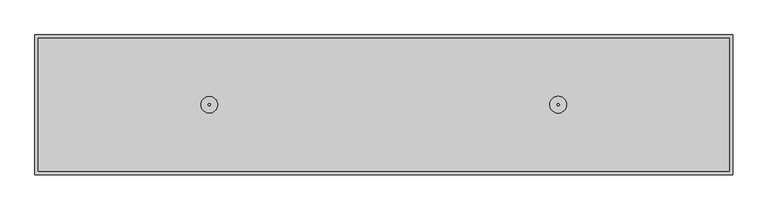
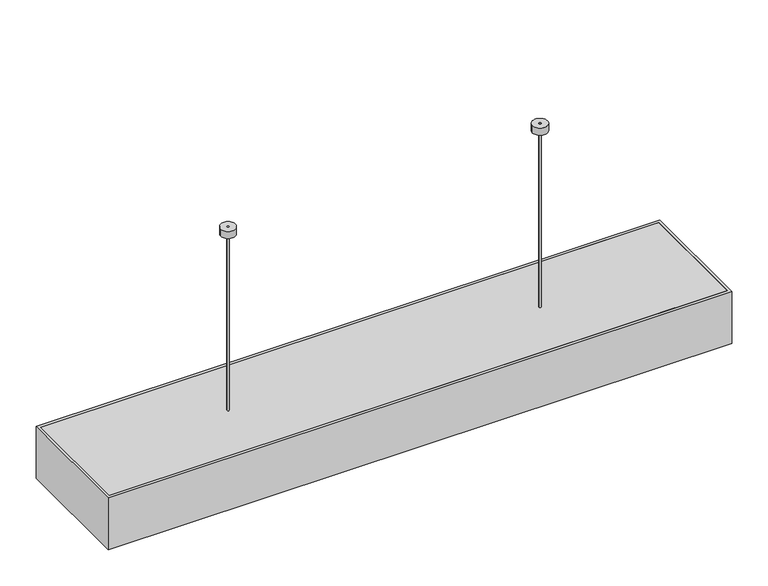
"""IFC4 building model written with IfcOpenShell, lengths in millimetres: light fixture geometry."""

from ifc_helpers import new_model, si_unit, point, frame, frame_2d, origin, place, context, project, spatial, polyline, circle_curve, trimmed, segment, composite_curve, outline, extrude, source, transform, mapped, element, save


def light_fixture_1455f1de(model_context):
    return source(origin(), model_context, "Body", "SweptSolid", [
        extrude(outline(polyline([(-495.0, -95.0), (-495.0, 95.0), (495.0, 95.0), (495.0, -95.0), (-495.0, -95.0)])), frame((0.0, 0.0, -317.0), z_axis=(0.0, 0.0, 1.0), x_axis=(1.0, 0.0, 0.0)), (0.0, 0.0, 1.0), 5.0),
        extrude(outline(composite_curve([segment(trimmed(circle_curve(frame_2d((-250.0, 0.0)), 1.5), [point((-251.5, 0.0))], [point((-248.5, 0.0))], False, "CARTESIAN"), True, "CONTINUOUS"), segment(trimmed(circle_curve(frame_2d((-250.0, 0.0)), 1.5), [point((-248.5, 0.0))], [point((-251.5, 0.0))], False, "CARTESIAN"), True, "CONTINUOUS")], self_intersect=False)), frame((0.0, 0.0, -312.0), z_axis=(0.0, 0.0, 1.0), x_axis=(1.0, 0.0, 0.0)), (0.0, 0.0, 1.0), 312.0),
        extrude(outline(composite_curve([segment(trimmed(circle_curve(frame_2d((250.0, 0.0)), 1.5), [point((248.5, 0.0))], [point((251.5, 0.0))], False, "CARTESIAN"), True, "CONTINUOUS"), segment(trimmed(circle_curve(frame_2d((250.0, 0.0)), 1.5), [point((251.5, 0.0))], [point((248.5, 0.0))], False, "CARTESIAN"), True, "CONTINUOUS")], self_intersect=False)), frame((0.0, 0.0, -312.0), z_axis=(0.0, 0.0, 1.0), x_axis=(1.0, 0.0, 0.0)), (0.0, 0.0, 1.0), 312.0),
        extrude(outline(composite_curve([segment(trimmed(circle_curve(frame_2d((-250.0, 0.0)), 11.8151756), [point((-261.8151756, 0.0))], [point((-238.1848244, 0.0))], False, "CARTESIAN"), True, "CONTINUOUS"), segment(trimmed(circle_curve(frame_2d((-250.0, 0.0)), 11.8151756), [point((-238.1848244, 0.0))], [point((-261.8151756, 0.0))], False, "CARTESIAN"), True, "CONTINUOUS")], self_intersect=False)), frame((0.0, 0.0, -12.0), z_axis=(0.0, 0.0, 1.0), x_axis=(1.0, 0.0, 0.0)), (0.0, 0.0, 1.0), 12.0),
        extrude(outline(composite_curve([segment(trimmed(circle_curve(frame_2d((250.0, 0.0)), 12.0), [point((238.0, 0.0))], [point((262.0, 0.0))], False, "CARTESIAN"), True, "CONTINUOUS"), segment(trimmed(circle_curve(frame_2d((250.0, 0.0)), 12.0), [point((262.0, 0.0))], [point((238.0, 0.0))], False, "CARTESIAN"), True, "CONTINUOUS")], self_intersect=False)), frame((0.0, 0.0, -12.0), z_axis=(0.0, 0.0, 1.0), x_axis=(1.0, 0.0, 0.0)), (0.0, 0.0, 1.0), 12.0),
        extrude(outline(polyline([(-495.0, -95.0), (-495.0, 95.0), (495.0, 95.0), (495.0, -95.0), (-495.0, -95.0)])), frame((0.0, 0.0, -392.0), z_axis=(0.0, 0.0, 1.0), x_axis=(1.0, 0.0, 0.0)), (0.0, 0.0, 1.0), 8.0),
        extrude(outline(polyline([(500.0, 100.0), (500.0, -100.0), (-500.0, -100.0), (-500.0, 100.0), (500.0, 100.0)]), holes=[polyline([(495.0, 95.0), (-495.0, 95.0), (-495.0, -95.0), (495.0, -95.0), (495.0, 95.0)])]), frame((0.0, 0.0, -400.0), z_axis=(0.0, 0.0, 1.0), x_axis=(1.0, 0.0, 0.0)), (0.0, 0.0, 1.0), 88.0),
    ])


if __name__ == "__main__":
    model = new_model("IFC4")
    model_context = context("Model", 3, world=origin())
    ifc_project = project(units=[si_unit("LENGTHUNIT", "METRE", prefix="MILLI")], contexts=[model_context])
    site = spatial("IfcSite", under=ifc_project)
    building = spatial("IfcBuilding", under=site)
    placement = place(None, origin())
    light_fixture_shape = light_fixture_1455f1de(model_context)
    element("IfcLightFixture", 1, at=placement, inside=building, context=model_context, shape_type="MappedRepresentation", body=[
        mapped(light_fixture_shape, transform((0.0, 0.0, 0.0), x_axis=(1.0, 0.0, 0.0), y_axis=(0.0, 1.0, 0.0), z_axis=(0.0, 0.0, 1.0))),
    ])
    save(model, "model.ifc")
